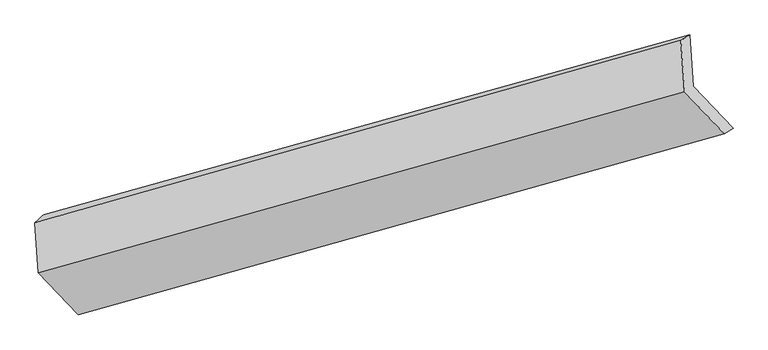
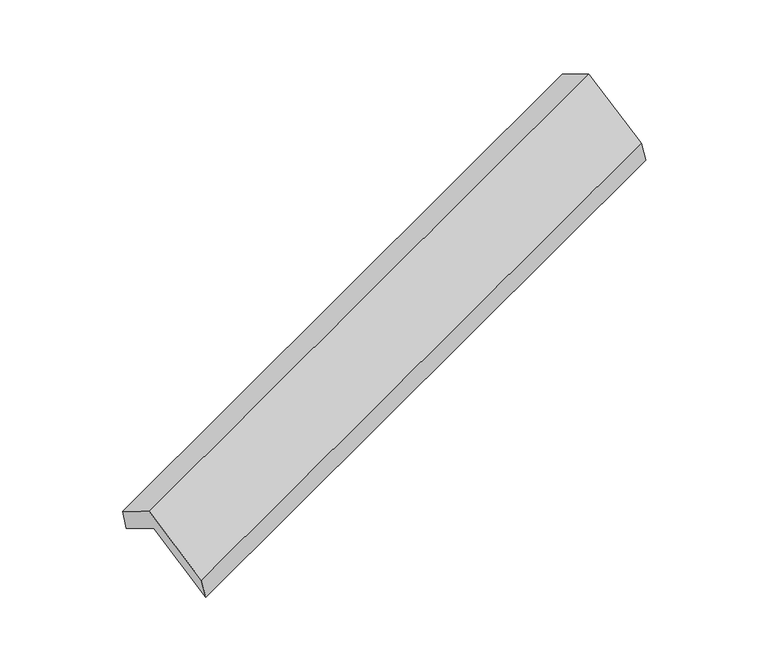
"""IFC4 building model written with IfcOpenShell, lengths in millimetres: proxy geometry."""

from ifc_helpers import new_model, si_unit, frame, origin, place, context, project, spatial, source, transform, mapped, element, save
from ifc_brep_helpers import plane_surface, spline_surface, advanced_brep


def generic_models_bc9a2fcf(model_context):
    return source(origin(), model_context, "Body", "AdvancedBrep", [
        advanced_brep(
        [(-5097.428292, -2119.0705049, 1282.4440804), (-5122.6539002, -1764.4804803, 1077.4598107), (-752.7770884, -549.0942991, 2662.1401296), (-728.1662107, -895.0432104, 2862.1290746), (-5180.9143222, -1819.2633624, 1282.090955), (-812.2669716, -586.5949547, 2856.7806246), (-5156.9181752, -2156.5711605, 1477.0845753), (-787.6560939, -932.5438661, 3056.7695696), (-4887.7385092, -2442.259318, 949.7641534), (-518.476428, -1218.2320235, 2529.4491476), (-4828.248626, -2404.7586624, 755.1236584), (-458.9865448, -1180.7313679, 2334.8086526)],
        [
            (0, 1),
            (1, 2),
            (2, 3),
            (3, 0),
            (1, 4),
            (4, 5),
            (5, 2),
            (4, 6),
            (6, 7),
            (7, 5),
            (6, 8),
            (8, 9),
            (9, 7),
            (8, 10),
            (10, 11),
            (11, 9),
            (10, 0),
            (3, 11),
        ],
        [
            plane_surface(frame((-5110.0410961, -1941.7754926, 1179.9519455), z_axis=(0.4113700610458492, -0.43405984079686677, -0.8014778396702761), x_axis=(-0.06147305967170634, 0.8641113240657825, -0.4995324639659358))),
            spline_surface(1, 1, [[(-5122.6539002, -1764.4804803, 1077.4598107), (-752.7770884, -549.0942991, 2662.1401296)], [(-5180.9143222, -1819.2633624, 1282.090955), (-812.2669716, -586.5949547, 2856.7806246)]], [2, 2], [2, 2], [0.0, 1.0], [0.0, 1.0]),
            plane_surface(frame((-5168.9162487, -1987.9172615, 1379.5877652), z_axis=(-0.4113700610458495, 0.43405984079685006, 0.8014778396702852), x_axis=(0.06147305967174897, -0.864111324065781, 0.49953246396593326))),
            plane_surface(frame((-5022.3283422, -2299.4152392, 1213.4243644), z_axis=(0.06147305967170791, -0.864111324065784, 0.49953246396593376), x_axis=(0.40947641165401566, -0.4345891475773915, -0.8021604210548583))),
            plane_surface(frame((-4857.9935676, -2423.5089902, 852.4439059), z_axis=(0.299180360857482, -0.9497943784079742, -0.09155190015393828), x_axis=(0.2874535801515979, 0.1812021999934353, -0.9404978479377654))),
            plane_surface(frame((-4962.838459, -2261.9145836, 1018.7838694), z_axis=(-0.06147305967171254, 0.8641113240657884, -0.499532463965925), x_axis=(-0.4094764116540066, 0.4345891475773844, 0.8021604210548667))),
            plane_surface(frame((-676.3882229, -893.7066203, 2717.0128664), z_axis=(0.9102472912530702, 0.2538580162792824, 0.32711767964632554), x_axis=(0.2874535801515979, 0.1812021999934353, -0.9404978479377654))),
            plane_surface(frame((-5045.6503041, -2117.7339147, 1137.3278722), z_axis=(-0.9102472912530746, -0.2538580162791946, -0.3271176796463818), x_axis=(0.40947641165401283, -0.43458914757740436, -0.8021604210548527))),
        ],
        [
            (0, [[1, 2, 3, 4]]),
            (1, [[5, 6, 7, -2]]),
            (2, [[8, 9, 10, -6]]),
            (3, [[11, 12, 13, -9]]),
            (4, [[14, 15, 16, -12]]),
            (5, [[17, -4, 18, -15]]),
            (6, [[-16, -18, -3, -7, -10, -13]]),
            (7, [[-17, -14, -11, -8, -5, -1]]),
        ],
    ),
    ])


if __name__ == "__main__":
    model = new_model("IFC4")
    model_context = context("Model", 3, world=origin())
    ifc_project = project(units=[si_unit("LENGTHUNIT", "METRE", prefix="MILLI")], contexts=[model_context])
    site = spatial("IfcSite", under=ifc_project)
    building = spatial("IfcBuilding", under=site)
    placement = place(None, origin())
    generic_models_shape = generic_models_bc9a2fcf(model_context)
    element("IfcBuildingElementProxy", 1, Name="Generic Models", at=placement, inside=building, context=model_context, shape_type="MappedRepresentation", body=[
        mapped(generic_models_shape, transform((0.0, 0.0, 0.0), x_axis=(1.0, 0.0, 0.0), y_axis=(0.0, 1.0, 0.0), z_axis=(0.0, 0.0, 1.0))),
    ])
    save(model, "model.ifc")
